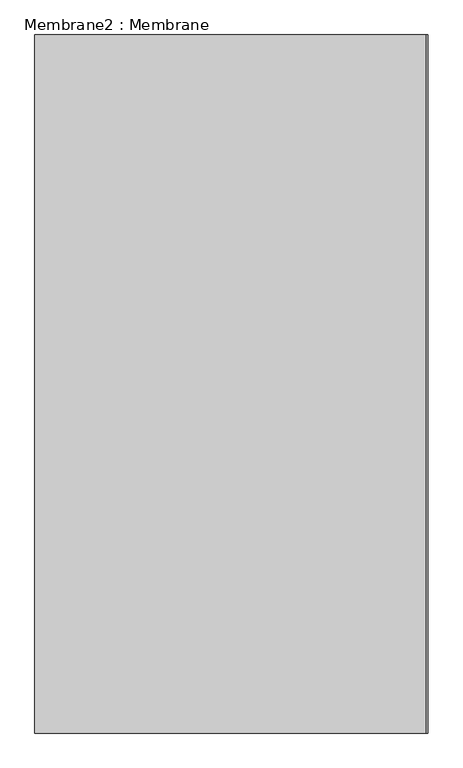
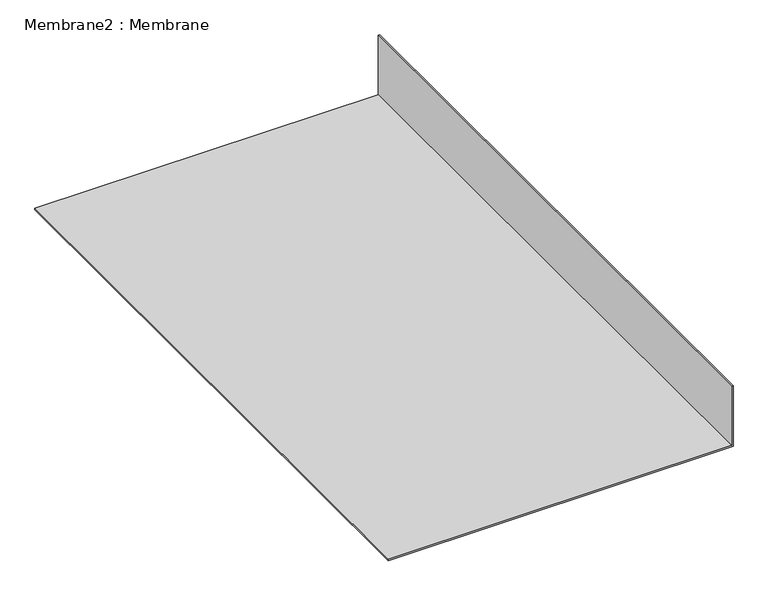
"""IFC4 building model written with IfcOpenShell, lengths in millimetres: proxy geometry, Membrane2 : Membrane."""

from ifc_helpers import new_model, si_unit, frame, origin, place, context, project, spatial, polyline, outline, extrude, source, transform, mapped, element, save


def membrane2_membrane_84e6e3be(model_context):
    return source(origin(), model_context, "Body", "SweptSolid", [
        extrude(outline(polyline([(3078.1771001, 38239.8037389), (3078.1771001, 38237.3513182), (2974.0585418, 38237.3513182), (2974.0585418, 37665.1791355), (2971.6061211, 37665.1791355), (2971.6061211, 38239.8037389), (3078.1771001, 38239.8037389)])), frame((0.0, -19681.9790114, 0.0), z_axis=(0.0, 1.0, 0.0), x_axis=(0.0, 0.0, 1.0)), (0.0, 0.0, 1.0), 1019.5460221),
    ])


if __name__ == "__main__":
    model = new_model("IFC4")
    model_context = context("Model", 3, world=origin())
    ifc_project = project(units=[si_unit("LENGTHUNIT", "METRE", prefix="MILLI")], contexts=[model_context])
    site = spatial("IfcSite", under=ifc_project)
    building = spatial("IfcBuilding", under=site)
    placement = place(None, origin())
    membrane2_membrane_shape = membrane2_membrane_84e6e3be(model_context)
    element("IfcBuildingElementProxy", 1, Name="Membrane2 : Membrane", ObjectType="Membrane2 : Membrane", at=placement, inside=building, context=model_context, shape_type="MappedRepresentation", body=[
        mapped(membrane2_membrane_shape, transform((0.0, 0.0, 0.0), x_axis=(1.0, 0.0, 0.0), y_axis=(0.0, 1.0, 0.0), z_axis=(0.0, 0.0, 1.0))),
    ])
    save(model, "model.ifc")
